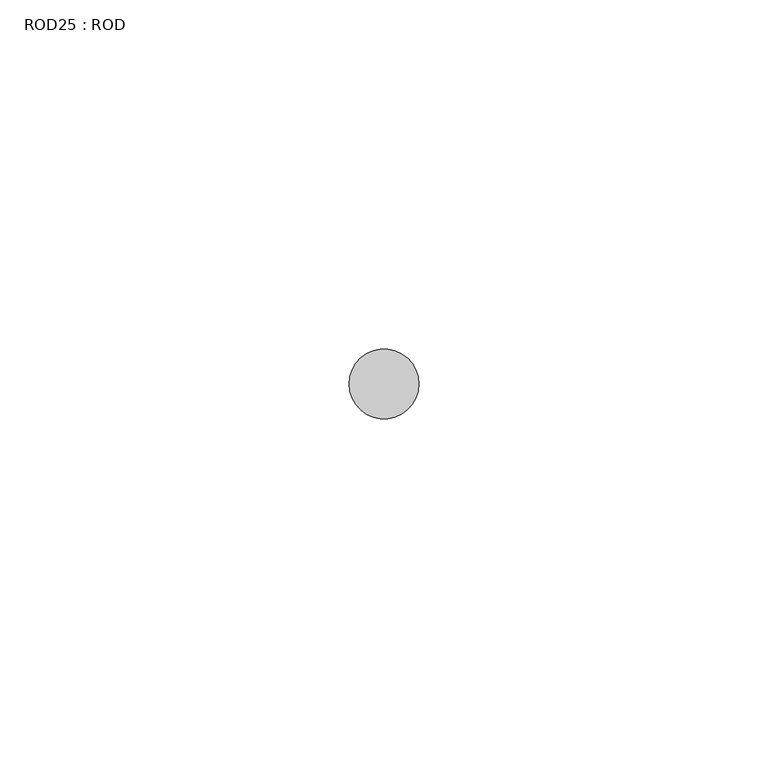
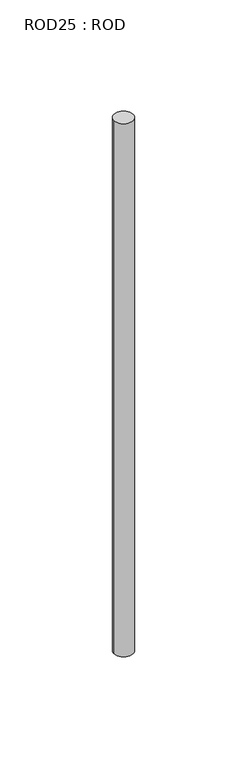
"""IFC4 building model written with IfcOpenShell, lengths in millimetres: proxy geometry, ROD25 : ROD."""

from ifc_helpers import new_model, si_unit, point, frame, frame_2d, origin, place, context, project, spatial, circle_curve, trimmed, segment, composite_curve, outline, extrude, source, transform, mapped, element, save


def rod25_rod_d4c7cd21(model_context):
    return source(origin(), model_context, "Body", "SweptSolid", [
        extrude(outline(composite_curve([segment(trimmed(circle_curve(frame_2d((-3807.2215616, -1114.6300853)), 5.0), [point((-3812.2215616, -1114.6300853))], [point((-3802.2215616, -1114.6300853))], False, "CARTESIAN"), True, "CONTINUOUS"), segment(trimmed(circle_curve(frame_2d((-3807.2215616, -1114.6300853)), 5.0), [point((-3802.2215616, -1114.6300853))], [point((-3812.2215616, -1114.6300853))], False, "CARTESIAN"), True, "CONTINUOUS")], self_intersect=False)), frame((0.0, 0.0, -208.6608845), z_axis=(0.0, 0.0, 1.0), x_axis=(1.0, 0.0, 0.0)), (0.0, 0.0, 1.0), 298.9028972),
    ])


if __name__ == "__main__":
    model = new_model("IFC4")
    model_context = context("Model", 3, world=origin())
    ifc_project = project(units=[si_unit("LENGTHUNIT", "METRE", prefix="MILLI")], contexts=[model_context])
    site = spatial("IfcSite", under=ifc_project)
    building = spatial("IfcBuilding", under=site)
    placement = place(None, origin())
    rod25_rod_shape = rod25_rod_d4c7cd21(model_context)
    element("IfcBuildingElementProxy", 1, Name="ROD25 : ROD", ObjectType="ROD25 : ROD", at=placement, inside=building, context=model_context, shape_type="MappedRepresentation", body=[
        mapped(rod25_rod_shape, transform((0.0, 0.0, 0.0), x_axis=(1.0, 0.0, 0.0), y_axis=(0.0, 1.0, 0.0), z_axis=(0.0, 0.0, 1.0))),
    ])
    save(model, "model.ifc")
